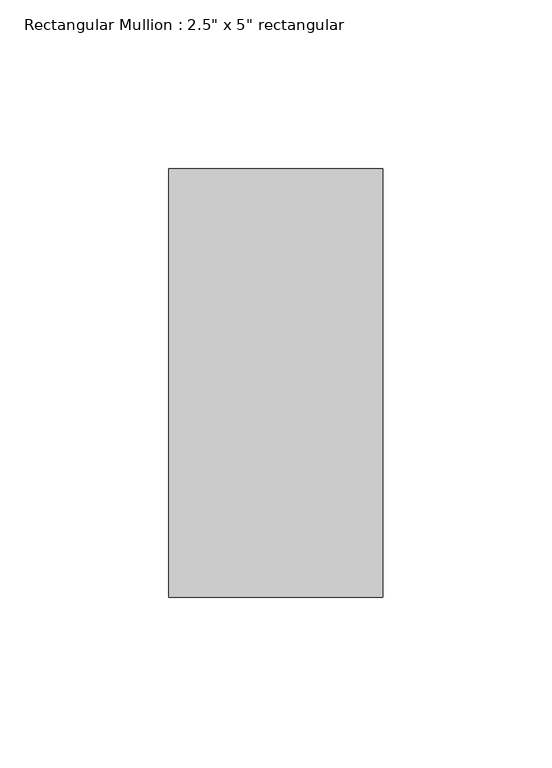
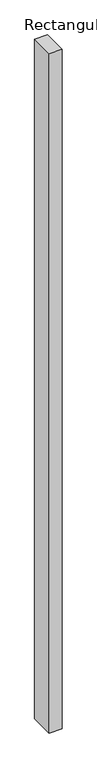
"""IFC4 building model written with IfcOpenShell, lengths in millimetres: member geometry."""

from ifc_helpers import new_model, si_unit, frame, origin, place, context, project, spatial, polyline, outline, extrude, source, transform, mapped, element, save


def member_f8b9c831(model_context):
    return source(origin(), model_context, "Body", "SweptSolid", [
        extrude(outline(polyline([(0.0, 63.5), (0.0, -63.5), (-63.5, -63.5), (-63.5, 63.5), (0.0, 63.5)])), frame((0.0, 0.0, -3616.0229807), z_axis=(0.0, 0.0, 1.0), x_axis=(1.0, 0.0, 0.0)), (0.0, 0.0, 1.0), 3616.0229807),
    ])


if __name__ == "__main__":
    model = new_model("IFC4")
    model_context = context("Model", 3, world=origin())
    ifc_project = project(units=[si_unit("LENGTHUNIT", "METRE", prefix="MILLI")], contexts=[model_context])
    site = spatial("IfcSite", under=ifc_project)
    building = spatial("IfcBuilding", under=site)
    placement = place(None, origin())
    member_shape = member_f8b9c831(model_context)
    element("IfcMember", 1, ObjectType="Rectangular Mullion : 2.5\" x 5\" rectangular", at=placement, inside=building, context=model_context, shape_type="MappedRepresentation", body=[
        mapped(member_shape, transform((0.0, 0.0, 0.0), x_axis=(1.0, 0.0, 0.0), y_axis=(0.0, 1.0, 0.0), z_axis=(0.0, 0.0, 1.0))),
    ])
    save(model, "model.ifc")
